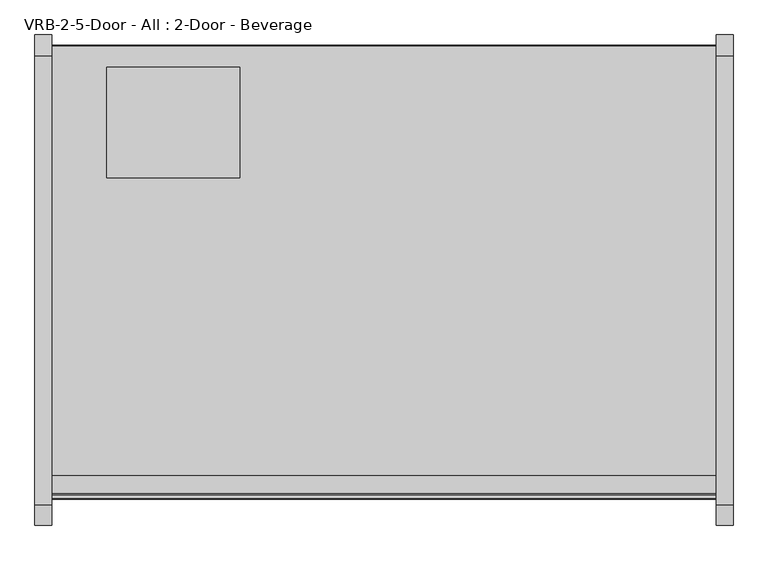
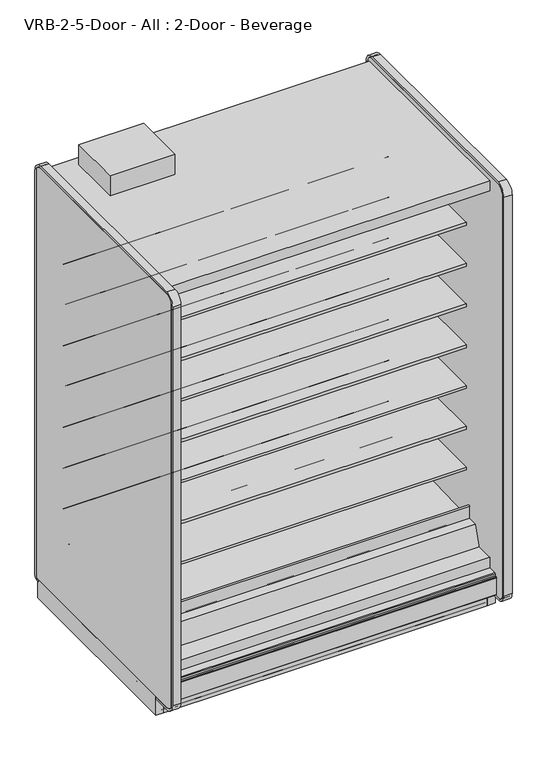
"""IFC4 building model written with IfcOpenShell, lengths in millimetres: proxy geometry, VRB-2-5-Door - All : 2-Door - Beverage."""

from ifc_helpers import new_model, si_unit, point, frame, frame_2d, origin, origin_with_axes, place, context, project, spatial, polyline, circle_curve, trimmed, segment, composite_curve, outline, extrude, source, transform, mapped, element, save
from ifc_brep_helpers import plane_surface, cylinder_surface, revolved_surface, advanced_brep


def vrb_2_5_door_all_2_door_beverage_75b4829b(model_context):
    return source(origin(), model_context, "Body", "SolidModel", [
        extrude(outline(polyline([(1524.0, -1294.7870385), (1524.0, -1310.6620385), (0.0, -1310.6620385), (0.0, -1294.7870385), (1524.0, -1294.7870385)])), origin_with_axes(), (0.0, 0.0, 1.0), 104.775),
        extrude(outline(composite_curve([segment(polyline([(-454.6049477, 587.0133455), (-454.6049477, 512.2441036), (-474.1172272, 511.9123192)]), True, "CONTINUOUS"), segment(trimmed(circle_curve(frame_2d((-474.5490633, 537.308648)), 25.4), [point((-474.1172272, 511.9123192))], [point((-490.5264195, 517.5631653))], False, "CARTESIAN"), True, "CONTINUOUS"), segment(polyline([(-490.5264195, 517.5631653), (-508.3784807, 532.0084308)]), True, "CONTINUOUS"), segment(trimmed(circle_curve(frame_2d((-548.3218713, 482.6447241)), 63.5), [point((-508.3784807, 532.0084308))], [point((-540.4239901, 545.651656))], True, "CARTESIAN"), True, "CONTINUOUS"), segment(polyline([(-540.4239901, 545.651656), (-881.8726577, 569.3487934), (-883.3614342, 572.7893455), (-1140.4049477, 572.7893455), (-1140.4049477, 587.0133455), (-454.6049477, 587.0133455)]), True, "CONTINUOUS")], self_intersect=False)), frame((0.0, 0.0, 0.0), z_axis=(1.0, 0.0, 0.0), x_axis=(0.0, 1.0, 0.0)), (0.0, 0.0, 1.0), 1524.0),
        extrude(outline(composite_curve([segment(polyline([(-454.6049477, 790.2133624), (-454.6049477, 715.4441204), (-474.1172272, 715.112336)]), True, "CONTINUOUS"), segment(trimmed(circle_curve(frame_2d((-474.5490633, 740.5086648)), 25.4), [point((-474.1172272, 715.112336))], [point((-490.5264195, 720.7631821))], False, "CARTESIAN"), True, "CONTINUOUS"), segment(polyline([(-490.5264195, 720.7631821), (-508.3784807, 735.2084477)]), True, "CONTINUOUS"), segment(trimmed(circle_curve(frame_2d((-548.3218713, 685.8447409)), 63.5), [point((-508.3784807, 735.2084477))], [point((-540.4239901, 748.8516729))], True, "CARTESIAN"), True, "CONTINUOUS"), segment(polyline([(-540.4239901, 748.8516729), (-881.8726577, 772.5488103), (-883.3614342, 775.9893624), (-1140.4049477, 775.9893624), (-1140.4049477, 790.2133624), (-454.6049477, 790.2133624)]), True, "CONTINUOUS")], self_intersect=False)), frame((0.0, 0.0, 0.0), z_axis=(1.0, 0.0, 0.0), x_axis=(0.0, 1.0, 0.0)), (0.0, 0.0, 1.0), 1524.0),
        extrude(outline(composite_curve([segment(polyline([(-454.6049477, 993.4133793), (-454.6049477, 918.6441373), (-474.1172272, 918.3123529)]), True, "CONTINUOUS"), segment(trimmed(circle_curve(frame_2d((-474.5490633, 943.7086817)), 25.4), [point((-474.1172272, 918.3123529))], [point((-490.5264195, 923.963199))], False, "CARTESIAN"), True, "CONTINUOUS"), segment(polyline([(-490.5264195, 923.963199), (-508.3784807, 938.4084646)]), True, "CONTINUOUS"), segment(trimmed(circle_curve(frame_2d((-548.3218713, 889.0447578)), 63.5), [point((-508.3784807, 938.4084646))], [point((-540.4239901, 952.0516897))], True, "CARTESIAN"), True, "CONTINUOUS"), segment(polyline([(-540.4239901, 952.0516897), (-881.8726577, 975.7488272), (-883.3614342, 979.1893793), (-1140.4049477, 979.1893793), (-1140.4049477, 993.4133793), (-454.6049477, 993.4133793)]), True, "CONTINUOUS")], self_intersect=False)), frame((0.0, 0.0, 0.0), z_axis=(1.0, 0.0, 0.0), x_axis=(0.0, 1.0, 0.0)), (0.0, 0.0, 1.0), 1524.0),
        extrude(outline(composite_curve([segment(polyline([(-454.6049477, 1196.6133961), (-454.6049477, 1121.8441542), (-474.1172272, 1121.5123698)]), True, "CONTINUOUS"), segment(trimmed(circle_curve(frame_2d((-474.5490633, 1146.9086986)), 25.4), [point((-474.1172272, 1121.5123698))], [point((-490.5264195, 1127.1632159))], False, "CARTESIAN"), True, "CONTINUOUS"), segment(polyline([(-490.5264195, 1127.1632159), (-508.3784807, 1141.6084814)]), True, "CONTINUOUS"), segment(trimmed(circle_curve(frame_2d((-548.3218713, 1092.2447747)), 63.5), [point((-508.3784807, 1141.6084814))], [point((-540.4239901, 1155.2517066))], True, "CARTESIAN"), True, "CONTINUOUS"), segment(polyline([(-540.4239901, 1155.2517066), (-881.8726577, 1178.948844), (-883.3614342, 1182.3893961), (-1140.4049477, 1182.3893961), (-1140.4049477, 1196.6133961), (-454.6049477, 1196.6133961)]), True, "CONTINUOUS")], self_intersect=False)), frame((0.0, 0.0, 0.0), z_axis=(1.0, 0.0, 0.0), x_axis=(0.0, 1.0, 0.0)), (0.0, 0.0, 1.0), 1524.0),
        extrude(outline(composite_curve([segment(polyline([(-454.6049477, 1399.813413), (-454.6049477, 1325.044171), (-474.1172272, 1324.7123866)]), True, "CONTINUOUS"), segment(trimmed(circle_curve(frame_2d((-474.5490633, 1350.1087155)), 25.4), [point((-474.1172272, 1324.7123866))], [point((-490.5264195, 1330.3632328))], False, "CARTESIAN"), True, "CONTINUOUS"), segment(polyline([(-490.5264195, 1330.3632328), (-508.3784807, 1344.8084983)]), True, "CONTINUOUS"), segment(trimmed(circle_curve(frame_2d((-548.3218713, 1295.4447915)), 63.5), [point((-508.3784807, 1344.8084983))], [point((-540.4239901, 1358.4517235))], True, "CARTESIAN"), True, "CONTINUOUS"), segment(polyline([(-540.4239901, 1358.4517235), (-881.8726577, 1382.1488609), (-883.3614342, 1385.589413), (-1140.4049477, 1385.589413), (-1140.4049477, 1399.813413), (-454.6049477, 1399.813413)]), True, "CONTINUOUS")], self_intersect=False)), frame((0.0, 0.0, 0.0), z_axis=(1.0, 0.0, 0.0), x_axis=(0.0, 1.0, 0.0)), (0.0, 0.0, 1.0), 1524.0),
        extrude(outline(composite_curve([segment(polyline([(-454.6049477, 1603.0134299), (-454.6049477, 1528.2441879), (-474.1172272, 1527.9124035)]), True, "CONTINUOUS"), segment(trimmed(circle_curve(frame_2d((-474.5490633, 1553.3087323)), 25.4), [point((-474.1172272, 1527.9124035))], [point((-490.5264195, 1533.5632496))], False, "CARTESIAN"), True, "CONTINUOUS"), segment(polyline([(-490.5264195, 1533.5632496), (-508.3784807, 1548.0085152)]), True, "CONTINUOUS"), segment(trimmed(circle_curve(frame_2d((-548.3218713, 1498.6448084)), 63.5), [point((-508.3784807, 1548.0085152))], [point((-540.4239901, 1561.6517403))], True, "CARTESIAN"), True, "CONTINUOUS"), segment(polyline([(-540.4239901, 1561.6517403), (-881.8726577, 1585.3488778), (-883.3614342, 1588.7894299), (-1140.4049477, 1588.7894299), (-1140.4049477, 1603.0134299), (-454.6049477, 1603.0134299)]), True, "CONTINUOUS")], self_intersect=False)), frame((0.0, 0.0, 0.0), z_axis=(1.0, 0.0, 0.0), x_axis=(0.0, 1.0, 0.0)), (0.0, 0.0, 1.0), 1524.0),
        advanced_brep(
        [(1524.0, -348.8529385, 2.3876), (1524.0, -348.8529385, 104.775), (1524.0, -1148.1782385, 104.775), (1524.0, -1148.1782385, 24.892), (1524.0, -1148.1782385, 2.3876), (1524.0, -1145.7906385, 0.0), (1524.0, -1106.3866533, 0.0), (1524.0, -1106.3866533, 26.6446), (1524.0, -1091.8070533, 26.6446), (1524.0, -1085.4570533, 32.9946), (1524.0, -1085.4570533, 49.4411), (1524.0, -962.5804385, 49.4411), (1524.0, -941.6254385, 49.4411), (1524.0, -692.7054385, 49.4411), (1524.0, -671.7504385, 49.4411), (1524.0, -549.8304385, 49.4411), (1524.0, -528.8754385, 49.4411), (1524.0, -405.9988237, 49.4411), (1524.0, -405.9988237, 32.9946), (1524.0, -399.6488237, 26.6446), (1524.0, -385.8820237, 26.6446), (1524.0, -385.8820237, 0.0), (1524.0, -351.2405385, 0.0), (0.0, -348.8529385, 2.3876), (0.0, -351.2405385, 0.0), (0.0, -385.8820237, 0.0), (0.0, -385.8820237, 26.6446), (0.0, -399.6488237, 26.6446), (0.0, -405.9988237, 32.9946), (0.0, -405.9988237, 49.4411), (0.0, -528.8754385, 49.4411), (0.0, -549.8304385, 49.4581125), (0.0, -671.7504385, 49.4411), (0.0, -692.7054385, 49.4581125), (0.0, -941.6254385, 49.4411), (0.0, -962.5804385, 49.4581125), (0.0, -1085.4570533, 49.4411), (0.0, -1085.4570533, 32.9946), (0.0, -1091.8070533, 26.6446), (0.0, -1106.3866533, 26.6446), (0.0, -1106.3866533, 0.0), (0.0, -1145.7906385, 0.0), (0.0, -1148.1782385, 2.3876), (0.0, -1148.1782385, 24.892), (0.0, -1148.1782385, 104.775), (0.0, -348.8529385, 104.775)],
        [
            (0, 1),
            (1, 2),
            (2, 3),
            (3, 4),
            (4, 5, circle_curve(frame((1524.0, -1145.7906385, 2.3876), z_axis=(1.0, 0.0, 0.0), x_axis=(0.0, 1.0, 0.0)), 2.3876)),
            (5, 6),
            (6, 7),
            (7, 8),
            (8, 9, circle_curve(frame((1524.0, -1091.8070533, 32.9946), z_axis=(1.0, 0.0, 0.0), x_axis=(0.0, 1.0, 0.0)), 6.35)),
            (9, 10),
            (10, 11),
            (11, 12),
            (12, 13),
            (13, 14),
            (14, 15),
            (15, 16),
            (16, 17),
            (17, 18),
            (18, 19, circle_curve(frame((1524.0, -399.6488237, 32.9946), z_axis=(1.0, 0.0, 0.0), x_axis=(0.0, 1.0, 0.0)), 6.35)),
            (19, 20),
            (20, 21),
            (21, 22),
            (22, 0, circle_curve(frame((1524.0, -351.2405385, 2.3876), z_axis=(1.0, 0.0, 0.0), x_axis=(0.0, 1.0, 0.0)), 2.3876)),
            (23, 24, circle_curve(frame((0.0, -351.2405385, 2.3876), z_axis=(-1.0, 0.0, 0.0), x_axis=(0.0, 1.0, 0.0)), 2.3876)),
            (24, 25),
            (25, 26),
            (26, 27),
            (27, 28, circle_curve(frame((0.0, -399.6488237, 32.9946), z_axis=(-1.0, 0.0, 0.0), x_axis=(0.0, 1.0, 0.0)), 6.35)),
            (28, 29),
            (29, 30),
            (30, 31),
            (31, 32),
            (32, 33),
            (33, 34),
            (34, 35),
            (35, 36),
            (36, 37),
            (37, 38, circle_curve(frame((0.0, -1091.8070533, 32.9946), z_axis=(-1.0, 0.0, 0.0), x_axis=(0.0, 1.0, 0.0)), 6.35)),
            (38, 39),
            (39, 40),
            (40, 41),
            (41, 42, circle_curve(frame((0.0, -1145.7906385, 2.3876), z_axis=(-1.0, 0.0, 0.0), x_axis=(0.0, 1.0, 0.0)), 2.3876)),
            (42, 43),
            (43, 44),
            (44, 45),
            (45, 23),
            (0, 23),
            (45, 1),
            (44, 2),
            (43, 3),
            (42, 4),
            (41, 5),
            (40, 6),
            (39, 7),
            (38, 8),
            (37, 9),
            (36, 10),
            (35, 11),
            (34, 12),
            (33, 13),
            (32, 14),
            (31, 15),
            (30, 16),
            (29, 17),
            (28, 18),
            (27, 19),
            (26, 20),
            (25, 21),
            (24, 22),
        ],
        [
            plane_surface(frame((1524.0, -348.8529385, 104.775), z_axis=(1.0, 0.0, 0.0), x_axis=(0.0, 0.0, 1.0))),
            plane_surface(frame((0.0, -348.8529385, 104.775), z_axis=(-1.0, 0.0, 0.0), x_axis=(0.0, 0.0, -1.0))),
            plane_surface(frame((1524.0, -348.8529385, 2.3876), z_axis=(0.0, 1.0, 0.0), x_axis=(-1.0, 0.0, 0.0))),
            plane_surface(frame((1524.0, -348.8529385, 104.775), z_axis=(0.0, 0.0, 1.0), x_axis=(-1.0, 0.0, 0.0))),
            plane_surface(frame((1524.0, -1148.1782385, 104.775), z_axis=(0.0, -1.0, 0.0), x_axis=(-1.0, 0.0, 0.0))),
            plane_surface(frame((1524.0, -1148.1782385, 24.892), z_axis=(0.0, -1.0, 0.0), x_axis=(-1.0, 0.0, 0.0))),
            cylinder_surface(frame((0.0, -1145.7906385, 2.3876), z_axis=(1.0, 0.0, 0.0), x_axis=(0.0, 1.0, 0.0)), 2.3876),
            plane_surface(frame((1524.0, -1145.7906385, 0.0), z_axis=(0.0, 0.0, -1.0), x_axis=(-1.0, 0.0, 0.0))),
            plane_surface(frame((1524.0, -1106.3866533, 0.0), z_axis=(0.0, 1.0, 0.0), x_axis=(-1.0, 0.0, 0.0))),
            plane_surface(frame((1524.0, -1106.3866533, 26.6446), z_axis=(0.0, 0.0, -1.0), x_axis=(-1.0, 0.0, 0.0))),
            cylinder_surface(frame((0.0, -1091.8070533, 32.9946), z_axis=(1.0, 0.0, 0.0), x_axis=(0.0, 1.0, 0.0)), 6.35),
            plane_surface(frame((1524.0, -1085.4570533, 32.9946), z_axis=(0.0, 1.0, 0.0), x_axis=(-1.0, 0.0, 0.0))),
            plane_surface(frame((1524.0, -1085.4570533, 49.4411), z_axis=(0.0, 0.0, -1.0), x_axis=(-1.0, 0.0, 0.0))),
            plane_surface(frame((1524.0, -962.5804385, 49.4581125), z_axis=(0.0, -0.0008118606294216209, -0.9999996704411049), x_axis=(-1.0, 0.0, 0.0))),
            plane_surface(frame((1524.0, -941.6254385, 49.4411), z_axis=(0.0, 0.0, -1.0), x_axis=(-1.0, 0.0, 0.0))),
            plane_surface(frame((1524.0, -692.7054385, 49.4581125), z_axis=(0.0, -0.0008118606294217887, -0.9999996704411049), x_axis=(-1.0, 0.0, 0.0))),
            plane_surface(frame((1524.0, -671.7504385, 49.4411), z_axis=(0.0, 0.0, -1.0), x_axis=(-1.0, 0.0, 0.0))),
            plane_surface(frame((1524.0, -549.8304385, 49.4581125), z_axis=(0.0, -0.0008118606294217887, -0.9999996704411049), x_axis=(-1.0, 0.0, 0.0))),
            plane_surface(frame((1524.0, -528.8754385, 49.4411), z_axis=(0.0, 0.0, -1.0), x_axis=(-1.0, 0.0, 0.0))),
            plane_surface(frame((1524.0, -405.9988237, 49.4411), z_axis=(0.0, -1.0, 0.0), x_axis=(-1.0, 0.0, 0.0))),
            cylinder_surface(frame((0.0, -399.6488237, 32.9946), z_axis=(1.0, 0.0, 0.0), x_axis=(0.0, 1.0, 0.0)), 6.35),
            plane_surface(frame((1524.0, -399.6488237, 26.6446), z_axis=(0.0, 0.0, -1.0), x_axis=(-1.0, 0.0, 0.0))),
            plane_surface(frame((1524.0, -385.8820237, 26.6446), z_axis=(0.0, -1.0, 0.0), x_axis=(-1.0, 0.0, 0.0))),
            plane_surface(frame((1524.0, -385.8820237, 0.0), z_axis=(0.0, 0.0, -1.0), x_axis=(-1.0, 0.0, 0.0))),
            cylinder_surface(frame((0.0, -351.2405385, 2.3876), z_axis=(1.0, 0.0, 0.0), x_axis=(0.0, 1.0, 0.0)), 2.3876),
        ],
        [
            (0, [[1, 2, 3, 4, 5, 6, 7, 8, 9, 10, 11, 12, 13, 14, 15, 16, 17, 18, 19, 20, 21, 22, 23]]),
            (1, [[24, 25, 26, 27, 28, 29, 30, 31, 32, 33, 34, 35, 36, 37, 38, 39, 40, 41, 42, 43, 44, 45, 46]]),
            (2, [[-1, 47, -46, 48]]),
            (3, [[-2, -48, -45, 49]]),
            (4, [[-3, -49, -44, 50]]),
            (5, [[-4, -50, -43, 51]]),
            (6, [[-5, -51, -42, 52]]),
            (7, [[-6, -52, -41, 53]]),
            (8, [[-7, -53, -40, 54]]),
            (9, [[-8, -54, -39, 55]]),
            (10, [[-9, -55, -38, 56]]),
            (11, [[-10, -56, -37, 57]]),
            (12, [[-11, -57, -36, 58]]),
            (13, [[-12, -58, -35, 59]]),
            (14, [[-13, -59, -34, 60]]),
            (15, [[-14, -60, -33, 61]]),
            (16, [[-15, -61, -32, 62]]),
            (17, [[-16, -62, -31, 63]]),
            (18, [[-17, -63, -30, 64]]),
            (19, [[-18, -64, -29, 65]]),
            (20, [[-19, -65, -28, 66]]),
            (21, [[-20, -66, -27, 67]]),
            (22, [[-21, -67, -26, 68]]),
            (23, [[-22, -68, -25, 69]]),
            (24, [[-23, -69, -24, -47]]),
        ],
    ),
        extrude(outline(composite_curve([segment(polyline([(-454.6049477, 1806.2134975), (-454.6049477, 1731.4442556), (-474.1172272, 1731.1124712)]), True, "CONTINUOUS"), segment(trimmed(circle_curve(frame_2d((-474.5490633, 1756.5088)), 25.4), [point((-474.1172272, 1731.1124712))], [point((-490.5264195, 1736.7633173))], False, "CARTESIAN"), True, "CONTINUOUS"), segment(polyline([(-490.5264195, 1736.7633173), (-508.3784807, 1751.2085828)]), True, "CONTINUOUS"), segment(trimmed(circle_curve(frame_2d((-548.3218713, 1701.8448761)), 63.5), [point((-508.3784807, 1751.2085828))], [point((-540.4239901, 1764.851808))], True, "CARTESIAN"), True, "CONTINUOUS"), segment(polyline([(-540.4239901, 1764.851808), (-881.8726577, 1788.5489454), (-883.3614342, 1791.9894975), (-1140.4049477, 1791.9894975), (-1140.4049477, 1806.2134975), (-454.6049477, 1806.2134975)]), True, "CONTINUOUS")], self_intersect=False)), frame((0.0, 0.0, 0.0), z_axis=(1.0, 0.0, 0.0), x_axis=(0.0, 1.0, 0.0)), (0.0, 0.0, 1.0), 1524.0),
        advanced_brep(
        [(1524.0, -348.8529385, 104.775), (1524.0, -348.8529385, 2130.425), (1524.0, -1332.4576552, 2130.425), (1524.0, -1332.4576552, 2080.6916932), (1524.0, -403.803446, 2080.6916932), (1524.0, -403.803446, 192.3002762), (1524.0, -1241.5918606, 158.2443144), (1524.0, -1332.4576552, 168.8736205), (1524.0, -1332.4576552, 201.2766923), (1524.0, -1373.5961083, 201.2766923), (1524.0, -1376.2595244, 197.8095897), (1524.0, -1376.2595244, 188.9614574), (1524.0, -1385.0649885, 188.9614574), (1524.0, -1386.6397885, 187.3866574), (1524.0, -1386.6397885, 185.7356574), (1524.0, -1387.5033885, 185.7356574), (1524.0, -1387.5033885, 101.7483517), (1524.0, -1384.3560744, 101.0506089), (1524.0, -1382.6193623, 104.775), (0.0, -348.8529385, 104.775), (0.0, -1382.6193623, 104.775), (0.0, -1384.3560744, 101.0506089), (0.0, -1387.5033885, 101.7483517), (0.0, -1387.5033885, 185.7356574), (0.0, -1386.6397885, 185.7356574), (0.0, -1386.6397885, 187.3866574), (0.0, -1385.0649885, 188.9614574), (0.0, -1376.2595244, 188.9614574), (0.0, -1376.2595244, 197.8095897), (0.0, -1373.5961083, 201.2766923), (0.0, -1332.4576552, 201.2766923), (0.0, -1332.4576552, 168.8736205), (0.0, -1241.5918606, 158.2443144), (0.0, -403.803446, 192.3002762), (0.0, -403.803446, 2080.6916932), (0.0, -1332.4576552, 2080.6916932), (0.0, -1332.4576552, 2130.425), (0.0, -348.8529385, 2130.425), (1422.4, -348.8529385, 184.15), (1422.4, -348.8529385, 285.75), (1422.4, -399.3710689, 184.15), (1422.4, -399.3710689, 285.75)],
        [
            (0, 1),
            (1, 2),
            (2, 3),
            (3, 4),
            (4, 5),
            (5, 6),
            (6, 7),
            (7, 8),
            (8, 9),
            (9, 10, circle_curve(frame((1524.0, -1372.1757389, 197.4290047), z_axis=(1.0, 0.0, 0.0), x_axis=(0.0, 1.0, 0.0)), 4.1014814)),
            (10, 11),
            (11, 12),
            (12, 13, circle_curve(frame((1524.0, -1385.0649885, 187.3866574), z_axis=(1.0, 0.0, 0.0), x_axis=(0.0, 1.0, 0.0)), 1.5748)),
            (13, 14),
            (14, 15),
            (15, 16),
            (16, 17, circle_curve(frame((1524.0, -1385.8523885, 101.7483517), z_axis=(1.0, 0.0, 0.0), x_axis=(0.0, 1.0, 0.0)), 1.651)),
            (17, 18),
            (18, 0),
            (19, 20),
            (20, 21),
            (21, 22, circle_curve(frame((0.0, -1385.8523885, 101.7483517), z_axis=(-1.0, 0.0, 0.0), x_axis=(0.0, 1.0, 0.0)), 1.651)),
            (22, 23),
            (23, 24),
            (24, 25),
            (25, 26, circle_curve(frame((0.0, -1385.0649885, 187.3866574), z_axis=(-1.0, 0.0, 0.0), x_axis=(0.0, 1.0, 0.0)), 1.5748)),
            (26, 27),
            (27, 28),
            (28, 29, circle_curve(frame((0.0, -1372.1757389, 197.4290047), z_axis=(-1.0, 0.0, 0.0), x_axis=(0.0, 1.0, 0.0)), 4.1014814)),
            (29, 30),
            (30, 31),
            (31, 32),
            (32, 33),
            (33, 34),
            (34, 35),
            (35, 36),
            (36, 37),
            (37, 19),
            (0, 19),
            (37, 1),
            (38, 39, circle_curve(frame((1422.4, -348.8529385, 234.95), z_axis=(0.0, -1.0, 0.0), x_axis=(0.0, 0.0, 1.0)), 50.8)),
            (39, 38, circle_curve(frame((1422.4, -348.8529385, 234.95), z_axis=(0.0, -1.0, 0.0), x_axis=(0.0, 0.0, 1.0)), 50.8)),
            (18, 20),
            (36, 2),
            (35, 3),
            (34, 4),
            (33, 5),
            (32, 6),
            (31, 7),
            (30, 8),
            (29, 9),
            (28, 10),
            (27, 11),
            (26, 12),
            (25, 13),
            (24, 14),
            (23, 15),
            (22, 16),
            (21, 17),
            (40, 41, circle_curve(frame((1422.4, -399.3710689, 234.95), z_axis=(0.0, 1.0, 0.0), x_axis=(0.0, 0.0, 1.0)), 50.8)),
            (41, 40, circle_curve(frame((1422.4, -399.3710689, 234.95), z_axis=(0.0, 1.0, 0.0), x_axis=(0.0, 0.0, 1.0)), 50.8)),
            (41, 39),
            (38, 40),
        ],
        [
            plane_surface(frame((1524.0, -348.8529385, 2130.425), z_axis=(1.0, 0.0, 0.0), x_axis=(0.0, 0.0, 1.0))),
            plane_surface(frame((0.0, -348.8529385, 2130.425), z_axis=(-1.0, 0.0, 0.0), x_axis=(0.0, 0.0, -1.0))),
            plane_surface(frame((1524.0, -348.8529385, 104.775), z_axis=(0.0, 1.0, 0.0), x_axis=(-1.0, 0.0, 0.0))),
            plane_surface(frame((1524.0, -1382.6193623, 104.775), z_axis=(0.0, 0.0, -1.0), x_axis=(-1.0, 0.0, 0.0))),
            plane_surface(frame((1524.0, -348.8529385, 2130.425), z_axis=(0.0, 0.0, 1.0), x_axis=(-1.0, 0.0, 0.0))),
            plane_surface(frame((1524.0, -1332.4576552, 2130.425), z_axis=(0.0, -1.0, 0.0), x_axis=(-1.0, 0.0, 0.0))),
            plane_surface(frame((1524.0, -1332.4576552, 2080.6916932), z_axis=(0.0, 0.0, -1.0), x_axis=(-1.0, 0.0, 0.0))),
            plane_surface(frame((1524.0, -403.803446, 2080.6916932), z_axis=(0.0, -1.0, 0.0), x_axis=(-1.0, 0.0, 0.0))),
            plane_surface(frame((1524.0, -403.803446, 192.3002762), z_axis=(0.0, -0.04061629258568473, 0.9991748179255691), x_axis=(-1.0, 0.0, 0.0))),
            plane_surface(frame((1524.0, -1241.5918606, 158.2443144), z_axis=(0.0, 0.11618584341211871, 0.9932274914593407), x_axis=(-1.0, 0.0, 0.0))),
            plane_surface(frame((1524.0, -1332.4576552, 168.8736205), z_axis=(0.0, 1.0, 0.0), x_axis=(-1.0, 0.0, 0.0))),
            plane_surface(frame((1524.0, -1332.4576552, 201.2766923), z_axis=(0.0, 0.0, 1.0), x_axis=(-1.0, 0.0, 0.0))),
            cylinder_surface(frame((0.0, -1372.1757389, 197.4290047), z_axis=(1.0, 0.0, 0.0), x_axis=(0.0, 1.0, 0.0)), 4.1014814),
            plane_surface(frame((1524.0, -1376.2595244, 197.8095897), z_axis=(0.0, -1.0, 0.0), x_axis=(-1.0, 0.0, 0.0))),
            plane_surface(frame((1524.0, -1376.2595244, 188.9614574), z_axis=(0.0, 0.0, 1.0), x_axis=(-1.0, 0.0, 0.0))),
            cylinder_surface(frame((0.0, -1385.0649885, 187.3866574), z_axis=(1.0, 0.0, 0.0), x_axis=(0.0, 1.0, 0.0)), 1.5748),
            plane_surface(frame((1524.0, -1386.6397885, 187.3866574), z_axis=(0.0, -1.0, 0.0), x_axis=(-1.0, 0.0, 0.0))),
            plane_surface(frame((1524.0, -1386.6397885, 185.7356574), z_axis=(0.0, 0.0, 1.0), x_axis=(-1.0, 0.0, 0.0))),
            plane_surface(frame((1524.0, -1387.5033885, 185.7356574), z_axis=(0.0, -1.0, 0.0), x_axis=(-1.0, 0.0, 0.0))),
            cylinder_surface(frame((0.0, -1385.8523885, 101.7483517), z_axis=(1.0, 0.0, 0.0), x_axis=(0.0, 1.0, 0.0)), 1.651),
            plane_surface(frame((1524.0, -1384.3560744, 101.0506089), z_axis=(0.0, 0.9063077870347213, -0.42261826174483563), x_axis=(-1.0, 0.0, 0.0))),
            plane_surface(frame((1422.4, -399.3710689, 285.75), z_axis=(0.0, 1.0, 0.0), x_axis=(-1.0, 0.0, 0.0))),
            revolved_surface(polyline([(1422.4, -399.3710689, 285.75), (1422.4, -348.8529385, 285.75)]), (1422.4, -348.8529385, 234.95), (0.0, -1.0, 0.0)),
        ],
        [
            (0, [[1, 2, 3, 4, 5, 6, 7, 8, 9, 10, 11, 12, 13, 14, 15, 16, 17, 18, 19]]),
            (1, [[20, 21, 22, 23, 24, 25, 26, 27, 28, 29, 30, 31, 32, 33, 34, 35, 36, 37, 38]]),
            (2, [[-1, 39, -38, 40], [41, 42]]),
            (3, [[-19, 43, -20, -39]]),
            (4, [[-2, -40, -37, 44]]),
            (5, [[-3, -44, -36, 45]]),
            (6, [[-4, -45, -35, 46]]),
            (7, [[-5, -46, -34, 47]]),
            (8, [[-6, -47, -33, 48]]),
            (9, [[-7, -48, -32, 49]]),
            (10, [[-8, -49, -31, 50]]),
            (11, [[-9, -50, -30, 51]]),
            (12, [[-10, -51, -29, 52]]),
            (13, [[-11, -52, -28, 53]]),
            (14, [[-12, -53, -27, 54]]),
            (15, [[-13, -54, -26, 55]]),
            (16, [[-14, -55, -25, 56]]),
            (17, [[-15, -56, -24, 57]]),
            (18, [[-16, -57, -23, 58]]),
            (19, [[-17, -58, -22, 59]]),
            (20, [[-18, -59, -21, -43]]),
            (21, [[60, 61]]),
            (22, [[-61, 62, -41, 63]]),
            (22, [[-60, -63, -42, -62]]),
        ],
    ),
        extrude(outline(composite_curve([segment(polyline([(-538.5117544, 357.6712667), (-1154.4031001, 336.1426369)]), True, "CONTINUOUS"), segment(trimmed(circle_curve(frame_2d((-1154.7855355, 347.0833549)), 10.9474), [point((-1154.4031001, 336.1426369))], [point((-1165.7262535, 346.7009195))], False, "CARTESIAN"), True, "CONTINUOUS"), segment(polyline([(-1165.7262535, 346.7009195), (-1167.8700214, 408.029863)]), True, "CONTINUOUS"), segment(trimmed(circle_curve(frame_2d((-1163.9861934, 408.1656231)), 3.8862), [point((-1167.8700214, 408.029863))], [point((-1160.1023655, 408.3013832))], False, "CARTESIAN"), True, "CONTINUOUS"), segment(polyline([(-1160.1023655, 408.3013832), (-1157.9585975, 346.9724398)]), True, "CONTINUOUS"), segment(trimmed(circle_curve(frame_2d((-1154.7855355, 347.0833549)), 3.175), [point((-1157.9585975, 346.9724398))], [point((-1154.6746203, 343.9102928))], True, "CARTESIAN"), True, "CONTINUOUS"), segment(polyline([(-1154.6746203, 343.9102928), (-531.7333421, 365.6853547)]), True, "CONTINUOUS"), segment(trimmed(circle_curve(frame_2d((-531.5939074, 361.7960469)), 3.8918064), [point((-531.7333421, 365.6853547))], [point((-531.1633305, 357.9281326))], False, "CARTESIAN"), True, "CONTINUOUS"), segment(polyline([(-531.1633305, 357.9281326), (-538.5117544, 357.6712667)]), True, "CONTINUOUS")], self_intersect=False)), frame((0.0, 0.0, 0.0), z_axis=(1.0, 0.0, 0.0), x_axis=(0.0, 1.0, 0.0)), (0.0, 0.0, 1.0), 1524.0),
        extrude(outline(polyline([(-403.803446, 191.9712577), (-1241.5918606, 158.2443144), (-1332.4576552, 168.8736205), (-1332.4576552, 252.8737805), (-1245.6201539, 252.8737805), (-1214.4845686, 346.8534577), (-1168.9799477, 348.4440826), (-1168.9799477, 335.7440826), (-526.1387503, 358.2147509), (-526.1387503, 370.9147509), (-467.1371555, 372.9771658), (-467.1371555, 377.4368561), (-454.6049477, 377.4368561), (-454.6049477, 268.1711844), (-403.803446, 268.1711844), (-403.803446, 191.9712577)])), frame((0.0, 0.0, 0.0), z_axis=(1.0, 0.0, 0.0), x_axis=(0.0, 1.0, 0.0)), (0.0, 0.0, 1.0), 1524.0),
        extrude(outline(polyline([(-403.803446, 268.1711844), (-454.6049477, 268.1711844), (-454.6049477, 2053.8368561), (-1209.6263466, 2053.8368561), (-1283.9191918, 2080.6916932), (-403.803446, 2080.6916932), (-403.803446, 268.1711844)])), frame((0.0, 0.0, 0.0), z_axis=(1.0, 0.0, 0.0), x_axis=(0.0, 1.0, 0.0)), (0.0, 0.0, 1.0), 1524.0),
        extrude(outline(composite_curve([segment(trimmed(circle_curve(frame_2d((762.0, -1072.7529385)), 38.1), [point((723.9, -1072.7529385))], [point((800.1, -1072.7529385))], False, "CARTESIAN"), True, "CONTINUOUS"), segment(trimmed(circle_curve(frame_2d((762.0, -1072.7529385)), 38.1), [point((800.1, -1072.7529385))], [point((723.9, -1072.7529385))], False, "CARTESIAN"), True, "CONTINUOUS")], self_intersect=False)), frame((0.0, 0.0, -5.8513653), z_axis=(0.0, 0.0, 1.0), x_axis=(1.0, 0.0, 0.0)), (0.0, 0.0, 1.0), 110.6263653),
        extrude(outline(composite_curve([segment(trimmed(circle_curve(frame_2d((1277.2604036, -1069.5779385)), 9.525), [point((1267.7354036, -1069.5779385))], [point((1286.7854036, -1069.5779385))], False, "CARTESIAN"), True, "CONTINUOUS"), segment(trimmed(circle_curve(frame_2d((1277.2604036, -1069.5779385)), 9.525), [point((1286.7854036, -1069.5779385))], [point((1267.7354036, -1069.5779385))], False, "CARTESIAN"), True, "CONTINUOUS")], self_intersect=False)), frame((0.0, 0.0, -5.8513653), z_axis=(0.0, 0.0, 1.0), x_axis=(1.0, 0.0, 0.0)), (0.0, 0.0, 1.0), 110.6263653),
        extrude(outline(composite_curve([segment(trimmed(circle_curve(frame_2d((1322.1868135, -1069.5779385)), 12.7), [point((1309.4868135, -1069.5779385))], [point((1334.8868135, -1069.5779385))], False, "CARTESIAN"), True, "CONTINUOUS"), segment(trimmed(circle_curve(frame_2d((1322.1868135, -1069.5779385)), 12.7), [point((1334.8868135, -1069.5779385))], [point((1309.4868135, -1069.5779385))], False, "CARTESIAN"), True, "CONTINUOUS")], self_intersect=False)), frame((0.0, 0.0, -5.8513653), z_axis=(0.0, 0.0, 1.0), x_axis=(1.0, 0.0, 0.0)), (0.0, 0.0, 1.0), 110.6263653),
        extrude(outline(polyline([(127.0, -650.8843385), (127.0, -396.8843385), (431.8, -396.8843385), (431.8, -650.8843385), (127.0, -650.8843385)])), frame((0.0, 0.0, 2130.425), z_axis=(0.0, 0.0, 1.0), x_axis=(1.0, 0.0, 0.0)), (0.0, 0.0, 1.0), 101.6),
        extrude(outline(polyline([(1524.0, -1310.6620385), (1524.0, -344.7571249), (1562.1, -344.7571249), (1562.1, -1310.6620385), (1524.0, -1310.6620385)])), origin_with_axes(), (0.0, 0.0, 1.0), 92.075),
        extrude(outline(composite_curve([segment(trimmed(circle_curve(frame_2d((-1399.7779385, 130.2020486)), 38.1), [point((-1437.8779385, 130.2020486))], [point((-1399.7779385, 92.1020486))], True, "CARTESIAN"), True, "CONTINUOUS"), segment(polyline([(-1399.7779385, 92.1020486), (-1310.6620385, 92.1020486), (-1310.6620385, 82.5770486), (-1399.7779385, 82.5770486)]), True, "CONTINUOUS"), segment(trimmed(circle_curve(frame_2d((-1399.7779385, 130.2020486)), 47.625), [point((-1399.7779385, 82.5770486))], [point((-1447.4029385, 130.2020486))], False, "CARTESIAN"), True, "CONTINUOUS"), segment(polyline([(-1447.4029385, 130.2020486), (-1447.4029385, 2117.725)]), True, "CONTINUOUS"), segment(trimmed(circle_curve(frame_2d((-1399.7779385, 2117.725)), 47.625), [point((-1447.4029385, 2117.725))], [point((-1399.7779385, 2165.35))], False, "CARTESIAN"), True, "CONTINUOUS"), segment(polyline([(-1399.7779385, 2165.35), (-370.7667333, 2165.35)]), True, "CONTINUOUS"), segment(trimmed(circle_curve(frame_2d((-370.7667333, 2117.725)), 47.625), [point((-370.7667333, 2165.35))], [point((-323.1417333, 2117.725))], False, "CARTESIAN"), True, "CONTINUOUS"), segment(polyline([(-323.1417333, 2117.725), (-323.1417333, 104.8020486)]), True, "CONTINUOUS"), segment(trimmed(circle_curve(frame_2d((-345.3667333, 104.8020486)), 22.225), [point((-323.1417333, 104.8020486))], [point((-345.3667333, 82.5770486))], False, "CARTESIAN"), True, "CONTINUOUS"), segment(polyline([(-345.3667333, 82.5770486), (-348.8529385, 82.5770486), (-348.8529385, 92.1020486), (-345.3667333, 92.1020486)]), True, "CONTINUOUS"), segment(trimmed(circle_curve(frame_2d((-345.3667333, 104.8020486)), 12.7), [point((-345.3667333, 92.1020486))], [point((-332.6667333, 104.8020486))], True, "CARTESIAN"), True, "CONTINUOUS"), segment(polyline([(-332.6667333, 104.8020486), (-332.6667333, 2117.725)]), True, "CONTINUOUS"), segment(trimmed(circle_curve(frame_2d((-370.7667333, 2117.725)), 38.1), [point((-332.6667333, 2117.725))], [point((-370.7667333, 2155.825))], True, "CARTESIAN"), True, "CONTINUOUS"), segment(polyline([(-370.7667333, 2155.825), (-1399.7779385, 2155.825)]), True, "CONTINUOUS"), segment(trimmed(circle_curve(frame_2d((-1399.7779385, 2117.725)), 38.1), [point((-1399.7779385, 2155.825))], [point((-1437.8779385, 2117.725))], True, "CARTESIAN"), True, "CONTINUOUS"), segment(polyline([(-1437.8779385, 2117.725), (-1437.8779385, 130.2020486)]), True, "CONTINUOUS")], self_intersect=False)), frame((1524.0, 0.0, 0.0), z_axis=(1.0, 0.0, 0.0), x_axis=(0.0, 1.0, 0.0)), (0.0, 0.0, 1.0), 38.1),
        extrude(outline(composite_curve([segment(trimmed(circle_curve(frame_2d((-1399.7779385, 130.2020486)), 38.1), [point((-1437.8779385, 130.2020486))], [point((-1399.7779385, 92.1020486))], True, "CARTESIAN"), True, "CONTINUOUS"), segment(polyline([(-1399.7779385, 92.1020486), (-1310.6620385, 92.1020486), (-1310.6620385, 82.5770486), (-1399.7779385, 82.5770486)]), True, "CONTINUOUS"), segment(trimmed(circle_curve(frame_2d((-1399.7779385, 130.2020486)), 47.625), [point((-1399.7779385, 82.5770486))], [point((-1447.4029385, 130.2020486))], False, "CARTESIAN"), True, "CONTINUOUS"), segment(polyline([(-1447.4029385, 130.2020486), (-1447.4029385, 2117.725)]), True, "CONTINUOUS"), segment(trimmed(circle_curve(frame_2d((-1399.7779385, 2117.725)), 47.625), [point((-1447.4029385, 2117.725))], [point((-1399.7779385, 2165.35))], False, "CARTESIAN"), True, "CONTINUOUS"), segment(polyline([(-1399.7779385, 2165.35), (-370.7667333, 2165.35)]), True, "CONTINUOUS"), segment(trimmed(circle_curve(frame_2d((-370.7667333, 2117.725)), 47.625), [point((-370.7667333, 2165.35))], [point((-323.1417333, 2117.725))], False, "CARTESIAN"), True, "CONTINUOUS"), segment(polyline([(-323.1417333, 2117.725), (-323.1417333, 104.8020486)]), True, "CONTINUOUS"), segment(trimmed(circle_curve(frame_2d((-345.3667333, 104.8020486)), 22.225), [point((-323.1417333, 104.8020486))], [point((-345.3667333, 82.5770486))], False, "CARTESIAN"), True, "CONTINUOUS"), segment(polyline([(-345.3667333, 82.5770486), (-348.8529385, 82.5770486), (-348.8529385, 92.1020486), (-345.3667333, 92.1020486)]), True, "CONTINUOUS"), segment(trimmed(circle_curve(frame_2d((-345.3667333, 104.8020486)), 12.7), [point((-345.3667333, 92.1020486))], [point((-332.6667333, 104.8020486))], True, "CARTESIAN"), True, "CONTINUOUS"), segment(polyline([(-332.6667333, 104.8020486), (-332.6667333, 2117.725)]), True, "CONTINUOUS"), segment(trimmed(circle_curve(frame_2d((-370.7667333, 2117.725)), 38.1), [point((-332.6667333, 2117.725))], [point((-370.7667333, 2155.825))], True, "CARTESIAN"), True, "CONTINUOUS"), segment(polyline([(-370.7667333, 2155.825), (-1399.7779385, 2155.825)]), True, "CONTINUOUS"), segment(trimmed(circle_curve(frame_2d((-1399.7779385, 2117.725)), 38.1), [point((-1399.7779385, 2155.825))], [point((-1437.8779385, 2117.725))], True, "CARTESIAN"), True, "CONTINUOUS"), segment(polyline([(-1437.8779385, 2117.725), (-1437.8779385, 130.2020486)]), True, "CONTINUOUS")], self_intersect=False)), frame((-38.1, 0.0, 0.0), z_axis=(1.0, 0.0, 0.0), x_axis=(0.0, 1.0, 0.0)), (0.0, 0.0, 1.0), 38.1),
        extrude(outline(polyline([(0.0, -344.7571249), (0.0, -1310.6620385), (-38.1, -1310.6620385), (-38.1, -344.7571249), (0.0, -344.7571249)])), origin_with_axes(), (0.0, 0.0, 1.0), 92.075),
        extrude(outline(composite_curve([segment(polyline([(-1399.7779385, 2155.825), (-370.7667333, 2155.825)]), True, "CONTINUOUS"), segment(trimmed(circle_curve(frame_2d((-370.7667333, 2117.725)), 38.1), [point((-370.7667333, 2155.825))], [point((-332.6667333, 2117.725))], False, "CARTESIAN"), True, "CONTINUOUS"), segment(polyline([(-332.6667333, 2117.725), (-332.6667333, 104.8020486)]), True, "CONTINUOUS"), segment(trimmed(circle_curve(frame_2d((-345.3667333, 104.8020486)), 12.7), [point((-332.6667333, 104.8020486))], [point((-345.3667333, 92.1020486))], False, "CARTESIAN"), True, "CONTINUOUS"), segment(polyline([(-345.3667333, 92.1020486), (-1399.7779385, 92.1020486)]), True, "CONTINUOUS"), segment(trimmed(circle_curve(frame_2d((-1399.7779385, 130.2020486)), 38.1), [point((-1399.7779385, 92.1020486))], [point((-1437.8779385, 130.2020486))], False, "CARTESIAN"), True, "CONTINUOUS"), segment(polyline([(-1437.8779385, 130.2020486), (-1437.8779385, 2117.725)]), True, "CONTINUOUS"), segment(trimmed(circle_curve(frame_2d((-1399.7779385, 2117.725)), 38.1), [point((-1437.8779385, 2117.725))], [point((-1399.7779385, 2155.825))], False, "CARTESIAN"), True, "CONTINUOUS")], self_intersect=False)), frame((1524.0, 0.0, 0.0), z_axis=(1.0, 0.0, 0.0), x_axis=(0.0, 1.0, 0.0)), (0.0, 0.0, 1.0), 38.1),
        extrude(outline(composite_curve([segment(polyline([(-1399.7779385, 2155.825), (-370.7667333, 2155.825)]), True, "CONTINUOUS"), segment(trimmed(circle_curve(frame_2d((-370.7667333, 2117.725)), 38.1), [point((-370.7667333, 2155.825))], [point((-332.6667333, 2117.725))], False, "CARTESIAN"), True, "CONTINUOUS"), segment(polyline([(-332.6667333, 2117.725), (-332.6667333, 104.8020486)]), True, "CONTINUOUS"), segment(trimmed(circle_curve(frame_2d((-345.3667333, 104.8020486)), 12.7), [point((-332.6667333, 104.8020486))], [point((-345.3667333, 92.1020486))], False, "CARTESIAN"), True, "CONTINUOUS"), segment(polyline([(-345.3667333, 92.1020486), (-1399.7779385, 92.1020486)]), True, "CONTINUOUS"), segment(trimmed(circle_curve(frame_2d((-1399.7779385, 130.2020486)), 38.1), [point((-1399.7779385, 92.1020486))], [point((-1437.8779385, 130.2020486))], False, "CARTESIAN"), True, "CONTINUOUS"), segment(polyline([(-1437.8779385, 130.2020486), (-1437.8779385, 2117.725)]), True, "CONTINUOUS"), segment(trimmed(circle_curve(frame_2d((-1399.7779385, 2117.725)), 38.1), [point((-1437.8779385, 2117.725))], [point((-1399.7779385, 2155.825))], False, "CARTESIAN"), True, "CONTINUOUS")], self_intersect=False)), frame((-38.1, 0.0, 0.0), z_axis=(1.0, 0.0, 0.0), x_axis=(0.0, 1.0, 0.0)), (0.0, 0.0, 1.0), 38.1),
        extrude(outline(composite_curve([segment(polyline([(-1294.7870385, 6.57225), (-1294.7870385, 104.775), (-1148.1782385, 104.775), (-1148.1782385, 30.0856668), (-1153.5258546, 30.0856668), (-1153.5258546, 1.51765), (-1289.7324385, 1.51765)]), True, "CONTINUOUS"), segment(trimmed(circle_curve(frame_2d((-1289.7324385, 6.57225)), 5.0546), [point((-1289.7324385, 1.51765))], [point((-1294.7870385, 6.57225))], False, "CARTESIAN"), True, "CONTINUOUS")], self_intersect=False)), frame((0.0, 0.0, 0.0), z_axis=(1.0, 0.0, 0.0), x_axis=(0.0, 1.0, 0.0)), (0.0, 0.0, 1.0), 1524.0),
        extrude(outline(composite_curve([segment(trimmed(circle_curve(frame_2d((-351.2405385, 5.1562)), 5.1562), [point((-346.0843385, 5.1562))], [point((-351.2405385, 0.0))], False, "CARTESIAN"), True, "CONTINUOUS"), segment(polyline([(-351.2405385, 0.0), (-385.7464574, 0.0)]), True, "CONTINUOUS"), segment(trimmed(circle_curve(frame_2d((-385.7464574, 5.1562)), 5.1562), [point((-385.7464574, 0.0))], [point((-390.9026574, 5.1562))], False, "CARTESIAN"), True, "CONTINUOUS"), segment(polyline([(-390.9026574, 5.1562), (-390.9026574, 24.9047), (-388.5404385, 24.9047), (-388.5404385, 5.1562)]), True, "CONTINUOUS"), segment(trimmed(circle_curve(frame_2d((-386.1528385, 5.1562)), 2.3876), [point((-388.5404385, 5.1562))], [point((-386.1528385, 2.7686))], True, "CARTESIAN"), True, "CONTINUOUS"), segment(polyline([(-386.1528385, 2.7686), (-351.2405385, 2.7686)]), True, "CONTINUOUS"), segment(trimmed(circle_curve(frame_2d((-351.2405385, 5.1562)), 2.3876), [point((-351.2405385, 2.7686))], [point((-348.8529385, 5.1562))], True, "CARTESIAN"), True, "CONTINUOUS"), segment(polyline([(-348.8529385, 5.1562), (-348.8529385, 24.892), (-346.0843385, 24.892), (-346.0843385, 5.1562)]), True, "CONTINUOUS")], self_intersect=False)), frame((0.0, 0.0, 0.0), z_axis=(1.0, 0.0, 0.0), x_axis=(0.0, 1.0, 0.0)), (0.0, 0.0, 1.0), 1524.0),
        extrude(outline(composite_curve([segment(polyline([(-1086.9515385, 5.1054), (-1089.7201385, 5.1054), (-1089.7201385, 17.8054), (-1089.7201385, 20.5359)]), True, "CONTINUOUS"), segment(trimmed(circle_curve(frame_2d((-1092.1077385, 20.5359)), 2.3876), [point((-1089.7201385, 20.5359))], [point((-1092.1077385, 22.9235))], True, "CARTESIAN"), True, "CONTINUOUS"), segment(polyline([(-1092.1077385, 22.9235), (-1103.3345385, 22.9235)]), True, "CONTINUOUS"), segment(trimmed(circle_curve(frame_2d((-1103.3345385, 20.5359)), 2.3876), [point((-1103.3345385, 22.9235))], [point((-1105.7221385, 20.5359))], True, "CARTESIAN"), True, "CONTINUOUS"), segment(polyline([(-1105.7221385, 20.5359), (-1105.7221385, 5.1562)]), True, "CONTINUOUS"), segment(trimmed(circle_curve(frame_2d((-1110.8783385, 5.1562)), 5.1562), [point((-1105.7221385, 5.1562))], [point((-1110.8783385, 0.0))], False, "CARTESIAN"), True, "CONTINUOUS"), segment(polyline([(-1110.8783385, 0.0), (-1145.7906385, 0.0)]), True, "CONTINUOUS"), segment(trimmed(circle_curve(frame_2d((-1145.7906385, 5.1562)), 5.1562), [point((-1145.7906385, 0.0))], [point((-1150.9468385, 5.1562))], False, "CARTESIAN"), True, "CONTINUOUS"), segment(polyline([(-1150.9468385, 5.1562), (-1150.9468385, 24.892), (-1148.1782385, 24.892), (-1148.1782385, 5.1562)]), True, "CONTINUOUS"), segment(trimmed(circle_curve(frame_2d((-1145.7906385, 5.1562)), 2.3876), [point((-1148.1782385, 5.1562))], [point((-1145.7906385, 2.7686))], True, "CARTESIAN"), True, "CONTINUOUS"), segment(polyline([(-1145.7906385, 2.7686), (-1110.8783385, 2.7686)]), True, "CONTINUOUS"), segment(trimmed(circle_curve(frame_2d((-1110.8783385, 5.1562)), 2.3876), [point((-1110.8783385, 2.7686))], [point((-1108.4907385, 5.1562))], True, "CARTESIAN"), True, "CONTINUOUS"), segment(polyline([(-1108.4907385, 5.1562), (-1108.4907385, 20.5359)]), True, "CONTINUOUS"), segment(trimmed(circle_curve(frame_2d((-1103.3345385, 20.5359)), 5.1562), [point((-1108.4907385, 20.5359))], [point((-1103.3345385, 25.6921))], False, "CARTESIAN"), True, "CONTINUOUS"), segment(polyline([(-1103.3345385, 25.6921), (-1092.1077385, 25.6921)]), True, "CONTINUOUS"), segment(trimmed(circle_curve(frame_2d((-1092.1077385, 20.5359)), 5.1562), [point((-1092.1077385, 25.6921))], [point((-1086.9515385, 20.5359))], False, "CARTESIAN"), True, "CONTINUOUS"), segment(polyline([(-1086.9515385, 20.5359), (-1086.9515385, 17.8054), (-1086.9515385, 5.1054)]), True, "CONTINUOUS")], self_intersect=False)), frame((0.0, 0.0, 0.0), z_axis=(1.0, 0.0, 0.0), x_axis=(0.0, 1.0, 0.0)), (0.0, 0.0, 1.0), 1524.0),
        extrude(outline(composite_curve([segment(trimmed(circle_curve(frame_2d((234.95, 1446.0737514)), 12.7), [point((247.65, 1446.0737514))], [point((222.25, 1446.0737514))], False, "CARTESIAN"), True, "CONTINUOUS"), segment(trimmed(circle_curve(frame_2d((234.95, 1446.0737514)), 12.7), [point((222.25, 1446.0737514))], [point((247.65, 1446.0737514))], False, "CARTESIAN"), True, "CONTINUOUS")], self_intersect=False)), frame((0.0, -399.3710689, 0.0), z_axis=(0.0, 1.0, 0.0), x_axis=(0.0, 0.0, 1.0)), (0.0, 0.0, 1.0), 50.5181304),
        extrude(outline(composite_curve([segment(trimmed(circle_curve(frame_2d((234.95, 1400.0472509)), 9.525), [point((244.475, 1400.0472509))], [point((225.425, 1400.0472509))], False, "CARTESIAN"), True, "CONTINUOUS"), segment(trimmed(circle_curve(frame_2d((234.95, 1400.0472509)), 9.525), [point((225.425, 1400.0472509))], [point((244.475, 1400.0472509))], False, "CARTESIAN"), True, "CONTINUOUS")], self_intersect=False)), frame((0.0, -399.3710689, 0.0), z_axis=(0.0, 1.0, 0.0), x_axis=(0.0, 0.0, 1.0)), (0.0, 0.0, 1.0), 50.5181304),
    ])


if __name__ == "__main__":
    model = new_model("IFC4")
    model_context = context("Model", 3, world=origin())
    ifc_project = project(units=[si_unit("LENGTHUNIT", "METRE", prefix="MILLI")], contexts=[model_context])
    site = spatial("IfcSite", under=ifc_project)
    building = spatial("IfcBuilding", under=site)
    placement = place(None, origin())
    vrb_2_5_door_all_2_door_beverage_shape = vrb_2_5_door_all_2_door_beverage_75b4829b(model_context)
    element("IfcBuildingElementProxy", 1, Name="VRB-2-5-Door - All : 2-Door - Beverage", ObjectType="VRB-2-5-Door - All : 2-Door - Beverage", at=placement, inside=building, context=model_context, shape_type="MappedRepresentation", body=[
        mapped(vrb_2_5_door_all_2_door_beverage_shape, transform((0.0, 0.0, 0.0), x_axis=(1.0, 0.0, 0.0), y_axis=(0.0, 1.0, 0.0), z_axis=(0.0, 0.0, 1.0))),
    ])
    save(model, "model.ifc")
